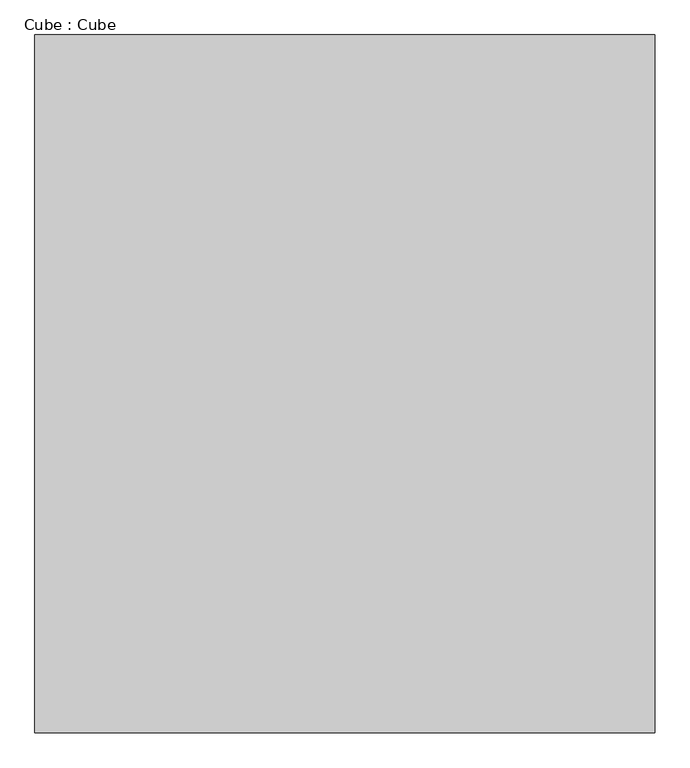
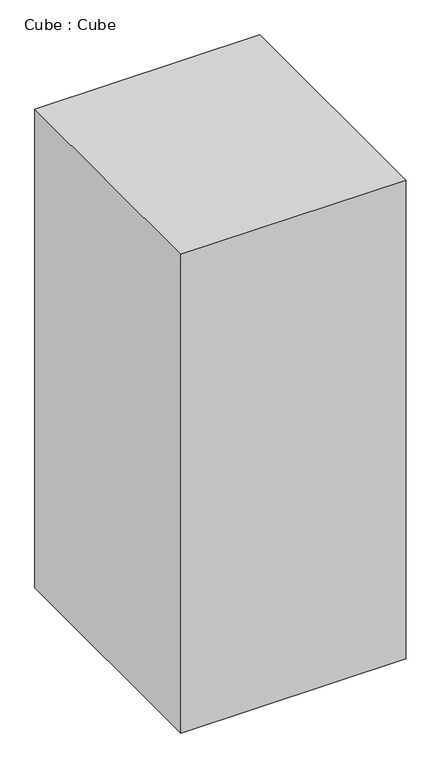
"""IFC4 building model written with IfcOpenShell, lengths in millimetres: proxy geometry, Cube : Cube."""

from ifc_helpers import new_model, si_unit, origin, origin_with_axes, place, context, project, spatial, polyline, outline, extrude, source, transform, mapped, element, save


def cube_cube_46477a1a(model_context):
    return source(origin(), model_context, "Body", "SweptSolid", [
        extrude(outline(polyline([(2000.0, 2250.0), (2000.0, -2250.0), (-2000.0, -2250.0), (-2000.0, 2250.0), (2000.0, 2250.0)])), origin_with_axes(), (0.0, 0.0, 1.0), 9000.0),
    ])


if __name__ == "__main__":
    model = new_model("IFC4")
    model_context = context("Model", 3, world=origin())
    ifc_project = project(units=[si_unit("LENGTHUNIT", "METRE", prefix="MILLI")], contexts=[model_context])
    site = spatial("IfcSite", under=ifc_project)
    building = spatial("IfcBuilding", under=site)
    placement = place(None, origin())
    cube_cube_shape = cube_cube_46477a1a(model_context)
    element("IfcBuildingElementProxy", 1, Name="Cube : Cube", ObjectType="Cube : Cube", at=placement, inside=building, context=model_context, shape_type="MappedRepresentation", body=[
        mapped(cube_cube_shape, transform((0.0, 0.0, 0.0), x_axis=(1.0, 0.0, 0.0), y_axis=(0.0, 1.0, 0.0), z_axis=(0.0, 0.0, 1.0))),
    ])
    save(model, "model.ifc")
